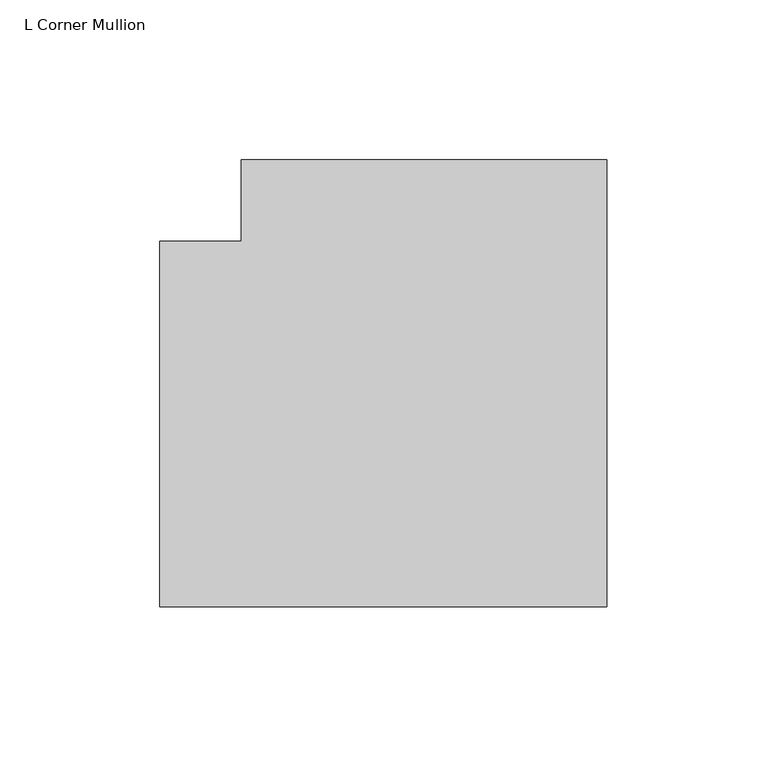
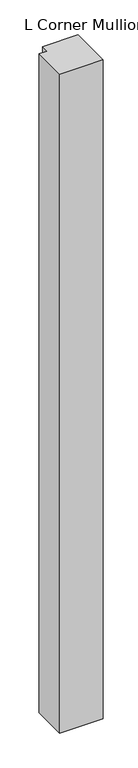
"""IFC4 building model written with IfcOpenShell, lengths in millimetres: member geometry, L Corner Mullion."""

from ifc_helpers import new_model, si_unit, frame, origin, place, context, project, spatial, polyline, outline, extrude, source, transform, mapped, element, save


def l_corner_mullion_57833498(model_context):
    return source(origin(), model_context, "Body", "SweptSolid", [
        extrude(outline(polyline([(57.15, 82.55), (57.15, -57.15), (-82.55, -57.15), (-82.55, 57.15), (-57.15, 57.15), (-57.15, 82.55), (57.15, 82.55)])), frame((0.0, 0.0, -2241.55), z_axis=(0.0, 0.0, 1.0), x_axis=(1.0, 0.0, 0.0)), (0.0, 0.0, 1.0), 2241.55),
    ])


if __name__ == "__main__":
    model = new_model("IFC4")
    model_context = context("Model", 3, world=origin())
    ifc_project = project(units=[si_unit("LENGTHUNIT", "METRE", prefix="MILLI")], contexts=[model_context])
    site = spatial("IfcSite", under=ifc_project)
    building = spatial("IfcBuilding", under=site)
    placement = place(None, origin())
    l_corner_mullion_shape = l_corner_mullion_57833498(model_context)
    element("IfcMember", 1, ObjectType="L Corner Mullion", at=placement, inside=building, context=model_context, shape_type="MappedRepresentation", body=[
        mapped(l_corner_mullion_shape, transform((0.0, 0.0, 0.0), x_axis=(1.0, 0.0, 0.0), y_axis=(0.0, 1.0, 0.0), z_axis=(0.0, 0.0, 1.0))),
    ])
    save(model, "model.ifc")
